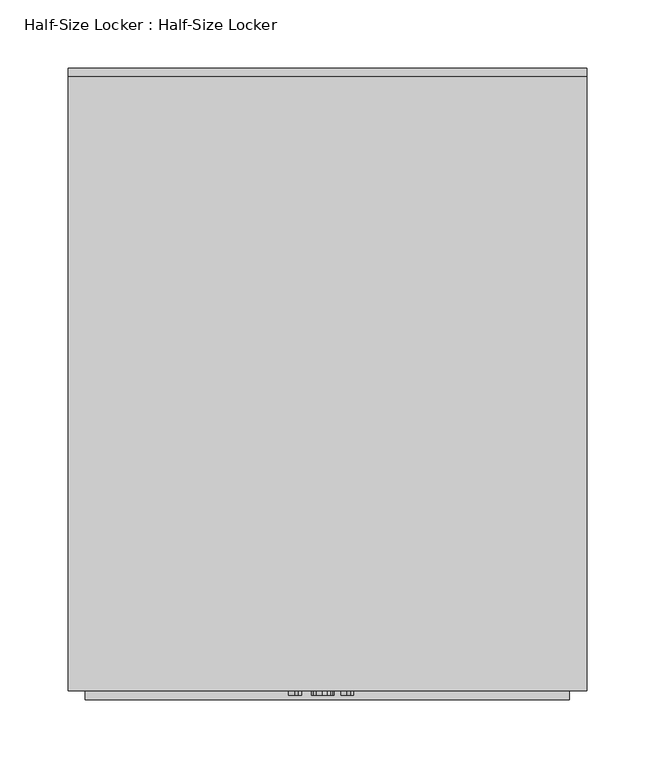
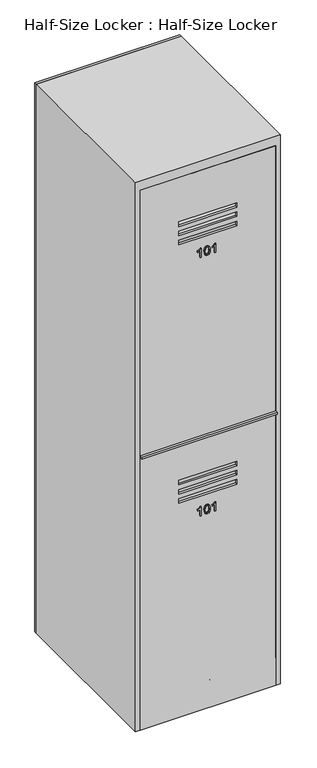
"""IFC4 building model written with IfcOpenShell, lengths in millimetres: furniture geometry, Half-Size Locker : Half-Size Locker."""

from ifc_helpers import new_model, si_unit, frame, origin, origin_with_axes, place, context, project, spatial, polyline, outline, extrude, source, transform, mapped, element, save


def half_size_locker_half_size_locker_c466201b(model_context):
    return source(origin(), model_context, "Body", "SweptSolid", [
        extrude(outline(polyline([(1498.6, 177.8), (1498.6, -177.8), (0.0, -177.8), (0.0, 177.8), (1498.6, 177.8)]), holes=[polyline([(1375.3615171, 76.2), (1362.6615171, 76.2), (1362.6615171, -76.2), (1375.3615171, -76.2), (1375.3615171, 76.2)]), polyline([(1349.9615171, 76.2), (1337.2615171, 76.2), (1337.2615171, -76.2), (1349.9615171, -76.2), (1349.9615171, 76.2)]), polyline([(1324.5615171, 76.2), (1311.8615171, 76.2), (1311.8615171, -76.2), (1324.5615171, -76.2), (1324.5615171, 76.2)]), polyline([(657.8115171, 76.2), (645.1115171, 76.2), (645.1115171, -76.2), (657.8115171, -76.2), (657.8115171, 76.2)]), polyline([(632.4115171, 76.2), (619.7115171, 76.2), (619.7115171, -76.2), (632.4115171, -76.2), (632.4115171, 76.2)]), polyline([(607.0115171, 76.2), (594.3115171, 76.2), (594.3115171, -76.2), (607.0115171, -76.2), (607.0115171, 76.2)])]), frame((0.0, -304.8, 0.0), z_axis=(0.0, 1.0, 0.0), x_axis=(0.0, 0.0, 1.0)), (0.0, 0.0, 1.0), 6.35),
        extrude(outline(polyline([(1524.0, 190.5), (1524.0, -190.5), (0.0, -190.5), (0.0, 190.5), (1524.0, 190.5)]), holes=[polyline([(76.2, -177.8), (1498.6, -177.8), (1498.6, 177.8), (76.2, 177.8), (76.2, -177.8)])]), frame((0.0, -304.8, 0.0), z_axis=(0.0, 1.0, 0.0), x_axis=(0.0, 0.0, 1.0)), (0.0, 0.0, 1.0), 450.85),
        extrude(outline(polyline([(190.5, 146.05), (-190.5, 146.05), (-190.5, 152.4), (190.5, 152.4), (190.5, 146.05)])), origin_with_axes(), (0.0, 0.0, 1.0), 1524.0),
        extrude(outline(polyline([(1259.2753143, -19.0318563), (1284.284545, -19.0318563), (1284.284545, -21.0467601), (1280.9569008, -23.827938), (1278.0322373, -28.4103178), (1275.077045, -28.4103178), (1276.6553864, -25.1193082), (1278.7649296, -22.1580101), (1259.2753143, -22.1580101), (1259.2753143, -19.0318563)])), frame((0.0, -307.975, 0.0), z_axis=(0.0, 1.0, 0.0), x_axis=(0.0, 0.0, 1.0)), (0.0, 0.0, 1.0), 3.175),
        extrude(outline(polyline([(1271.5784393, -11.6072409), (1261.265795, -9.1160871), (1258.884545, -3.4010871), (1260.2552902, 1.175187), (1264.4133191, 3.8953072), (1271.5784393, 4.8050668), (1277.4552421, 4.2372302), (1281.1553383, 2.7718456), (1283.4785835, 0.2501629), (1284.284545, -3.4010871), (1282.9229585, -7.9590438), (1278.7740883, -10.6883226), (1271.5784393, -11.6072409)]), holes=[polyline([(1271.584545, -8.4810871), (1279.4854104, -6.9668563), (1281.1583912, -3.4377217), (1279.259497, 0.2623745), (1271.584545, 1.6789129), (1263.8271652, 0.2135283), (1262.0106989, -3.4010871), (1263.8210595, -7.0157024), (1271.584545, -8.4810871)])]), frame((0.0, -307.975, 0.0), z_axis=(0.0, 1.0, 0.0), x_axis=(0.0, 0.0, 1.0)), (0.0, 0.0, 1.0), 3.175),
        extrude(outline(polyline([(1259.2753143, 19.2635283), (1284.284545, 19.2635283), (1284.284545, 17.2486245), (1280.9569008, 14.4674466), (1278.0322373, 9.8850668), (1275.077045, 9.8850668), (1276.6553864, 13.1760764), (1278.7649296, 16.1373745), (1259.2753143, 16.1373745), (1259.2753143, 19.2635283)])), frame((0.0, -307.975, 0.0), z_axis=(0.0, 1.0, 0.0), x_axis=(0.0, 0.0, 1.0)), (0.0, 0.0, 1.0), 3.175),
        extrude(outline(polyline([(541.7253143, -19.0318563), (566.734545, -19.0318563), (566.734545, -21.0467601), (563.4069008, -23.827938), (560.4822373, -28.4103178), (557.527045, -28.4103178), (559.1053864, -25.1193082), (561.2149296, -22.1580101), (541.7253143, -22.1580101), (541.7253143, -19.0318563)])), frame((0.0, -307.975, 0.0), z_axis=(0.0, 1.0, 0.0), x_axis=(0.0, 0.0, 1.0)), (0.0, 0.0, 1.0), 3.175),
        extrude(outline(polyline([(554.0284393, -11.6072409), (543.715795, -9.1160871), (541.334545, -3.4010871), (542.7052902, 1.175187), (546.8633191, 3.8953072), (554.0284393, 4.8050668), (559.9052421, 4.2372302), (563.6053383, 2.7718456), (565.9285835, 0.2501629), (566.734545, -3.4010871), (565.3729585, -7.9590438), (561.2240883, -10.6883226), (554.0284393, -11.6072409)]), holes=[polyline([(554.034545, -8.4810871), (561.9354104, -6.9668563), (563.6083912, -3.4377217), (561.709497, 0.2623745), (554.034545, 1.6789129), (546.2771652, 0.2135283), (544.4606989, -3.4010871), (546.2710595, -7.0157024), (554.034545, -8.4810871)])]), frame((0.0, -307.975, 0.0), z_axis=(0.0, 1.0, 0.0), x_axis=(0.0, 0.0, 1.0)), (0.0, 0.0, 1.0), 3.175),
        extrude(outline(polyline([(541.7253143, 19.2635283), (566.734545, 19.2635283), (566.734545, 17.2486245), (563.4069008, 14.4674466), (560.4822373, 9.8850668), (557.527045, 9.8850668), (559.1053864, 13.1760764), (561.2149296, 16.1373745), (541.7253143, 16.1373745), (541.7253143, 19.2635283)])), frame((0.0, -307.975, 0.0), z_axis=(0.0, 1.0, 0.0), x_axis=(0.0, 0.0, 1.0)), (0.0, 0.0, 1.0), 3.175),
        extrude(outline(polyline([(177.8, -311.15), (-177.8, -311.15), (-177.8, -279.4), (177.8, -279.4), (177.8, -311.15)])), frame((0.0, 0.0, 755.65), z_axis=(0.0, 0.0, 1.0), x_axis=(1.0, 0.0, 0.0)), (0.0, 0.0, 1.0), 6.35),
        extrude(outline(polyline([(177.8, -279.4), (-177.8, -279.4), (-177.8, -273.05), (177.8, -273.05), (177.8, -279.4)])), frame((0.0, 0.0, 76.2), z_axis=(0.0, 0.0, 1.0), x_axis=(1.0, 0.0, 0.0)), (0.0, 0.0, 1.0), 679.45),
        extrude(outline(polyline([(165.1, -298.45), (-177.8, -298.45), (-177.8, 146.05), (165.1, 146.05), (165.1, -298.45)])), frame((0.0, 0.0, 1320.8), z_axis=(0.0, 0.0, 1.0), x_axis=(1.0, 0.0, 0.0)), (0.0, 0.0, 1.0), 6.35),
        extrude(outline(polyline([(177.8, -298.45), (-177.8, -298.45), (-177.8, 146.05), (177.8, 146.05), (177.8, -298.45)])), frame((0.0, 0.0, 762.0), z_axis=(0.0, 0.0, 1.0), x_axis=(1.0, 0.0, 0.0)), (0.0, 0.0, 1.0), 19.05),
    ])


if __name__ == "__main__":
    model = new_model("IFC4")
    model_context = context("Model", 3, world=origin())
    ifc_project = project(units=[si_unit("LENGTHUNIT", "METRE", prefix="MILLI")], contexts=[model_context])
    site = spatial("IfcSite", under=ifc_project)
    building = spatial("IfcBuilding", under=site)
    placement = place(None, origin())
    half_size_locker_half_size_locker_shape = half_size_locker_half_size_locker_c466201b(model_context)
    element("IfcFurniture", 1, ObjectType="Half-Size Locker : Half-Size Locker", at=placement, inside=building, context=model_context, shape_type="MappedRepresentation", body=[
        mapped(half_size_locker_half_size_locker_shape, transform((0.0, 0.0, 0.0), x_axis=(1.0, 0.0, 0.0), y_axis=(0.0, 1.0, 0.0), z_axis=(0.0, 0.0, 1.0))),
    ])
    save(model, "model.ifc")
